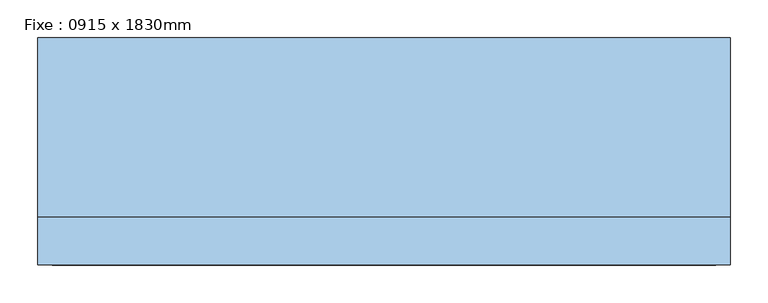
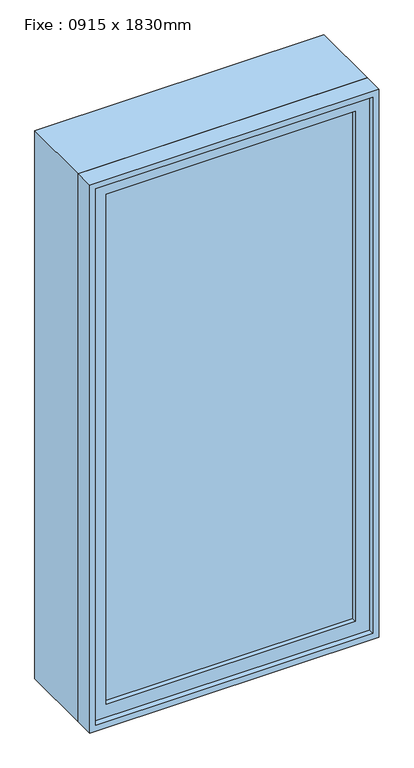
"""IFC4 building model written with IfcOpenShell, lengths in millimetres: window geometry, Fixe : 0915 x 1830mm."""

from ifc_helpers import new_model, si_unit, frame, origin, place, context, project, spatial, polyline, outline, extrude, source, transform, mapped, element, save


def fixe_0915_x_1830mm_157f914d(model_context):
    return source(origin(), model_context, "Body", "SweptSolid", [
        extrude(outline(polyline([(-394.5, -128.0), (-394.5, -116.0), (394.5, -116.0), (394.5, -128.0), (-394.5, -128.0)])), frame((0.0, 0.0, 368.0), z_axis=(0.0, 0.0, 1.0), x_axis=(1.0, 0.0, 0.0)), (0.0, 0.0, 1.0), 1704.0),
        extrude(outline(polyline([(2116.0, -438.5), (324.0, -438.5), (324.0, 438.5), (2116.0, 438.5), (2116.0, -438.5)]), holes=[polyline([(2072.0, -394.5), (2072.0, 394.5), (368.0, 394.5), (368.0, -394.5), (2072.0, -394.5)])]), frame((0.0, -144.0, 0.0), z_axis=(0.0, 1.0, 0.0), x_axis=(0.0, 0.0, 1.0)), (0.0, 0.0, 1.0), 44.0),
        extrude(outline(polyline([(2135.0, -457.5), (305.0, -457.5), (305.0, 457.5), (2135.0, 457.5), (2135.0, -457.5)]), holes=[polyline([(2116.0, -438.5), (2116.0, 438.5), (324.0, 438.5), (324.0, -438.5), (2116.0, -438.5)])]), frame((0.0, -163.0, 0.0), z_axis=(0.0, 1.0, 0.0), x_axis=(0.0, 0.0, 1.0)), (0.0, 0.0, 1.0), 63.0),
        extrude(outline(polyline([(2135.0, -457.5), (305.0, -457.5), (305.0, 457.5), (2135.0, 457.5), (2135.0, -457.5)]), holes=[polyline([(2103.0, -425.5), (2103.0, 425.5), (337.0, 425.5), (337.0, -425.5), (2103.0, -425.5)])]), frame((0.0, -100.0, 0.0), z_axis=(0.0, 1.0, 0.0), x_axis=(0.0, 0.0, 1.0)), (0.0, 0.0, 1.0), 237.0),
    ])


if __name__ == "__main__":
    model = new_model("IFC4")
    model_context = context("Model", 3, world=origin())
    ifc_project = project(units=[si_unit("LENGTHUNIT", "METRE", prefix="MILLI")], contexts=[model_context])
    site = spatial("IfcSite", under=ifc_project)
    building = spatial("IfcBuilding", under=site)
    placement = place(None, origin())
    fixe_0915_x_1830mm_shape = fixe_0915_x_1830mm_157f914d(model_context)
    element("IfcWindow", 1, ObjectType="Fixe : 0915 x 1830mm", at=placement, inside=building, context=model_context, shape_type="MappedRepresentation", body=[
        mapped(fixe_0915_x_1830mm_shape, transform((0.0, 0.0, 0.0), x_axis=(1.0, 0.0, 0.0), y_axis=(0.0, 1.0, 0.0), z_axis=(0.0, 0.0, 1.0))),
    ])
    save(model, "model.ifc")
